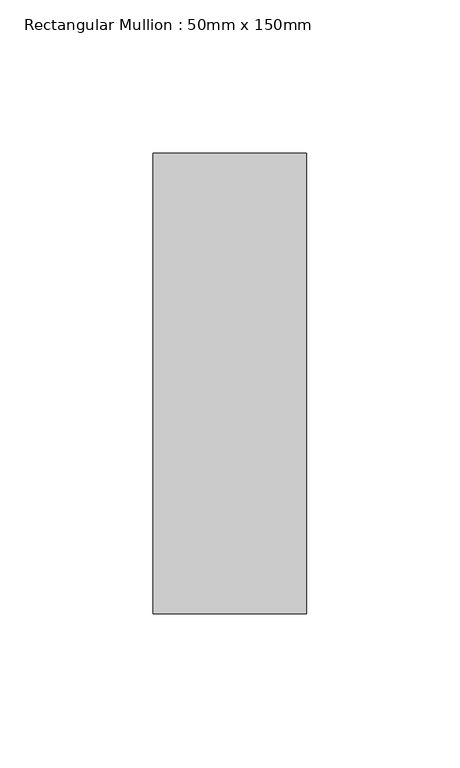
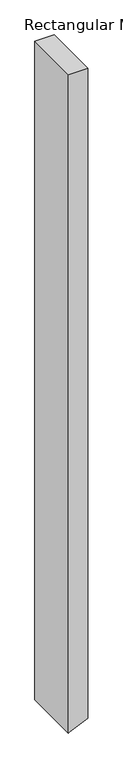
"""IFC4 building model written with IfcOpenShell, lengths in millimetres: member geometry, Rectangular Mullion : 50mm x 150mm."""

from ifc_helpers import new_model, si_unit, frame, origin, place, context, project, spatial, polyline, outline, extrude, source, transform, mapped, element, save


def rectangular_mullion_50mm_x_150mm_fc097717(model_context):
    return source(origin(), model_context, "Body", "SweptSolid", [
        extrude(outline(polyline([(0.0, 25.0), (0.0, -25.0), (-1801.884256, -25.0), (-1800.0477594, -21.0411824), (-1778.6892418, 25.0), (0.0, 25.0)])), frame((0.0, -75.0, 0.0), z_axis=(0.0, 1.0, 0.0), x_axis=(0.0, 0.0, 1.0)), (0.0, 0.0, 1.0), 150.0),
    ])


if __name__ == "__main__":
    model = new_model("IFC4")
    model_context = context("Model", 3, world=origin())
    ifc_project = project(units=[si_unit("LENGTHUNIT", "METRE", prefix="MILLI")], contexts=[model_context])
    site = spatial("IfcSite", under=ifc_project)
    building = spatial("IfcBuilding", under=site)
    placement = place(None, origin())
    rectangular_mullion_50mm_x_150mm_shape = rectangular_mullion_50mm_x_150mm_fc097717(model_context)
    element("IfcMember", 1, ObjectType="Rectangular Mullion : 50mm x 150mm", at=placement, inside=building, context=model_context, shape_type="MappedRepresentation", body=[
        mapped(rectangular_mullion_50mm_x_150mm_shape, transform((0.0, 0.0, 0.0), x_axis=(1.0, 0.0, 0.0), y_axis=(0.0, 1.0, 0.0), z_axis=(0.0, 0.0, 1.0))),
    ])
    save(model, "model.ifc")
